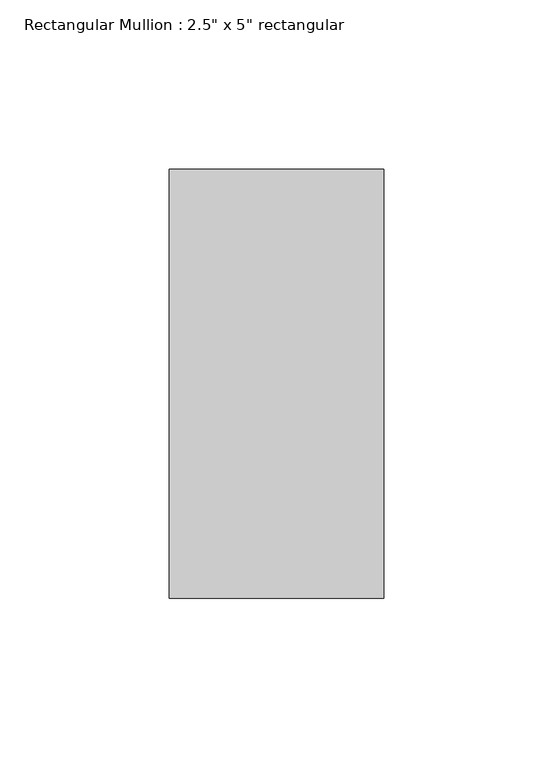
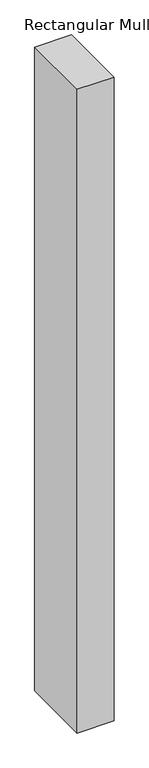
"""IFC4 building model written with IfcOpenShell, lengths in millimetres: member geometry."""

from ifc_helpers import new_model, si_unit, frame, origin, place, context, project, spatial, polyline, outline, extrude, source, transform, mapped, element, save


def member_364939bf(model_context):
    return source(origin(), model_context, "Body", "SweptSolid", [
        extrude(outline(polyline([(0.0, 63.5), (0.0, -63.5), (-63.5, -63.5), (-63.5, 63.5), (0.0, 63.5)])), frame((0.0, 0.0, -1172.36875), z_axis=(0.0, 0.0, 1.0), x_axis=(1.0, 0.0, 0.0)), (0.0, 0.0, 1.0), 1172.36875),
    ])


if __name__ == "__main__":
    model = new_model("IFC4")
    model_context = context("Model", 3, world=origin())
    ifc_project = project(units=[si_unit("LENGTHUNIT", "METRE", prefix="MILLI")], contexts=[model_context])
    site = spatial("IfcSite", under=ifc_project)
    building = spatial("IfcBuilding", under=site)
    placement = place(None, origin())
    member_shape = member_364939bf(model_context)
    element("IfcMember", 1, ObjectType="Rectangular Mullion : 2.5\" x 5\" rectangular", at=placement, inside=building, context=model_context, shape_type="MappedRepresentation", body=[
        mapped(member_shape, transform((0.0, 0.0, 0.0), x_axis=(1.0, 0.0, 0.0), y_axis=(0.0, 1.0, 0.0), z_axis=(0.0, 0.0, 1.0))),
    ])
    save(model, "model.ifc")
